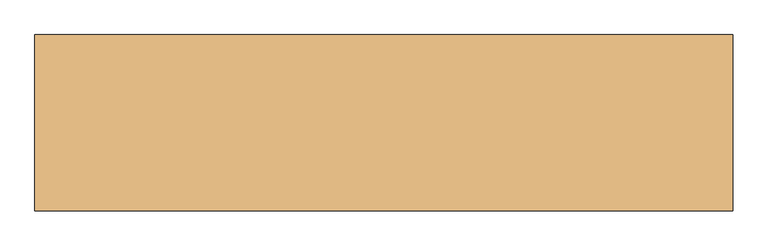
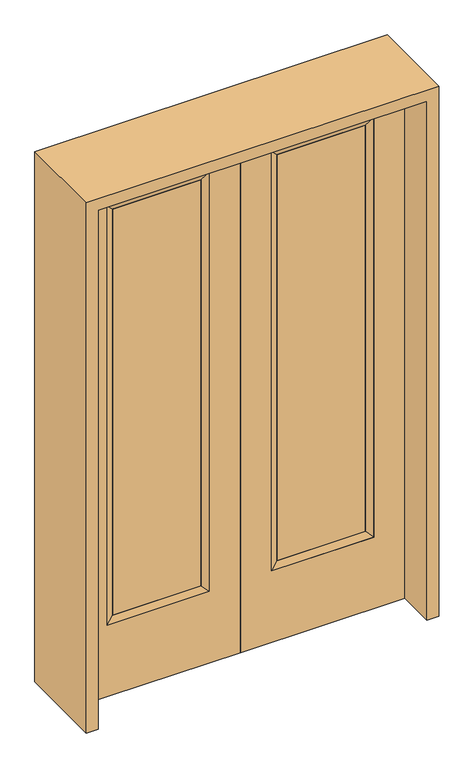
"""IFC4 building model written with IfcOpenShell, lengths in millimetres: door geometry."""

from ifc_helpers import new_model, si_unit, frame, origin, place, context, project, spatial, polyline, outline, extrude, faceted_brep, source, transform, mapped, element, save


def door_069e0ff7(model_context):
    return source(origin(), model_context, "Body", "SolidModel", [
        extrude(outline(polyline([(140.8176, -12.7039749), (140.8176, 14.2875), (468.7824, 14.2875), (468.7824, -12.7039749), (140.8176, -12.7039749)])), frame((0.0, 0.0, 304.8), z_axis=(0.0, 0.0, 1.0), x_axis=(1.0, 0.0, 0.0)), (0.0, 0.0, 1.0), 1590.675),
        faceted_brep([(140.8176, 14.2875, 1895.475), (140.8176, 14.2875, 304.8), (115.4176, 22.225, 279.4), (115.4176, 22.225, 1920.875), (115.4176, -22.225, 279.4), (115.4176, -22.225, 1920.875), (468.7824, 14.2875, 304.8), (494.1824, 22.225, 279.4), (140.8176, -12.7039749, 1895.475), (140.8176, -12.7039749, 304.8), (468.7824, -12.7039749, 304.8), (494.1824, -22.225, 279.4), (468.7824, 14.2875, 1895.475), (494.1824, 22.225, 1920.875), (468.7824, -12.7039749, 1895.475), (494.1824, -22.225, 1920.875)], [[[0, 1, 2, 3]], [[3, 2, 4, 5]], [[1, 6, 7, 2]], [[8, 9, 1, 0]], [[9, 10, 6, 1]], [[5, 4, 9, 8]], [[4, 11, 10, 9]], [[2, 7, 11, 4]], [[6, 12, 13, 7]], [[10, 14, 12, 6]], [[11, 15, 14, 10]], [[7, 13, 15, 11]], [[12, 0, 3, 13]], [[14, 8, 0, 12]], [[15, 5, 8, 14]], [[13, 3, 5, 15]]]),
        extrude(outline(polyline([(0.0, 609.6), (2032.0, 609.6), (2032.0, 0.0), (0.0, 0.0), (0.0, 609.6)]), holes=[polyline([(279.4, 494.1824), (279.4, 115.4176), (1920.875, 115.4176), (1920.875, 494.1824), (279.4, 494.1824)])]), frame((0.0, -22.225, 0.0), z_axis=(0.0, 1.0, 0.0), x_axis=(0.0, 0.0, 1.0)), (0.0, 0.0, 1.0), 44.45),
        extrude(outline(polyline([(-140.8176, -12.7039749), (-468.7824, -12.7039749), (-468.7824, 14.2875), (-140.8176, 14.2875), (-140.8176, -12.7039749)])), frame((0.0, 0.0, 304.8), z_axis=(0.0, 0.0, 1.0), x_axis=(1.0, 0.0, 0.0)), (0.0, 0.0, 1.0), 1590.675),
        faceted_brep([(-140.8176, 14.2875, 1895.475), (-115.4176, 22.225, 1920.875), (-115.4176, 22.225, 279.4), (-140.8176, 14.2875, 304.8), (-115.4176, -22.225, 1920.875), (-115.4176, -22.225, 279.4), (-494.1824, 22.225, 279.4), (-468.7824, 14.2875, 304.8), (-140.8176, -12.7039749, 1895.475), (-140.8176, -12.7039749, 304.8), (-468.7824, -12.7039749, 304.8), (-494.1824, -22.225, 279.4), (-494.1824, 22.225, 1920.875), (-468.7824, 14.2875, 1895.475), (-468.7824, -12.7039749, 1895.475), (-494.1824, -22.225, 1920.875)], [[[0, 1, 2, 3]], [[1, 4, 5, 2]], [[3, 2, 6, 7]], [[8, 0, 3, 9]], [[9, 3, 7, 10]], [[4, 8, 9, 5]], [[5, 9, 10, 11]], [[2, 5, 11, 6]], [[7, 6, 12, 13]], [[10, 7, 13, 14]], [[11, 10, 14, 15]], [[6, 11, 15, 12]], [[13, 12, 1, 0]], [[14, 13, 0, 8]], [[15, 14, 8, 4]], [[12, 15, 4, 1]]]),
        extrude(outline(polyline([(0.0, -609.6), (0.0, 0.0), (2032.0, 0.0), (2032.0, -609.6), (0.0, -609.6)]), holes=[polyline([(279.4, -494.1824), (1920.875, -494.1824), (1920.875, -115.4176), (279.4, -115.4176), (279.4, -494.1824)])]), frame((0.0, -22.225, 0.0), z_axis=(0.0, 1.0, 0.0), x_axis=(0.0, 0.0, 1.0)), (0.0, 0.0, 1.0), 44.45),
        extrude(outline(polyline([(2076.45, -654.05), (0.0, -654.05), (0.0, -609.6), (2032.0, -609.6), (2032.0, 609.6), (0.0, 609.6), (0.0, 654.05), (2076.45, 654.05), (2076.45, -654.05)])), frame((0.0, -165.1, 0.0), z_axis=(0.0, 1.0, 0.0), x_axis=(0.0, 0.0, 1.0)), (0.0, 0.0, 1.0), 330.2),
    ])


if __name__ == "__main__":
    model = new_model("IFC4")
    model_context = context("Model", 3, world=origin())
    ifc_project = project(units=[si_unit("LENGTHUNIT", "METRE", prefix="MILLI")], contexts=[model_context])
    site = spatial("IfcSite", under=ifc_project)
    building = spatial("IfcBuilding", under=site)
    placement = place(None, origin())
    door_shape = door_069e0ff7(model_context)
    element("IfcDoor", 1, at=placement, inside=building, context=model_context, shape_type="MappedRepresentation", body=[
        mapped(door_shape, transform((0.0, 0.0, 0.0), x_axis=(1.0, 0.0, 0.0), y_axis=(0.0, 1.0, 0.0), z_axis=(0.0, 0.0, 1.0))),
    ])
    save(model, "model.ifc")
